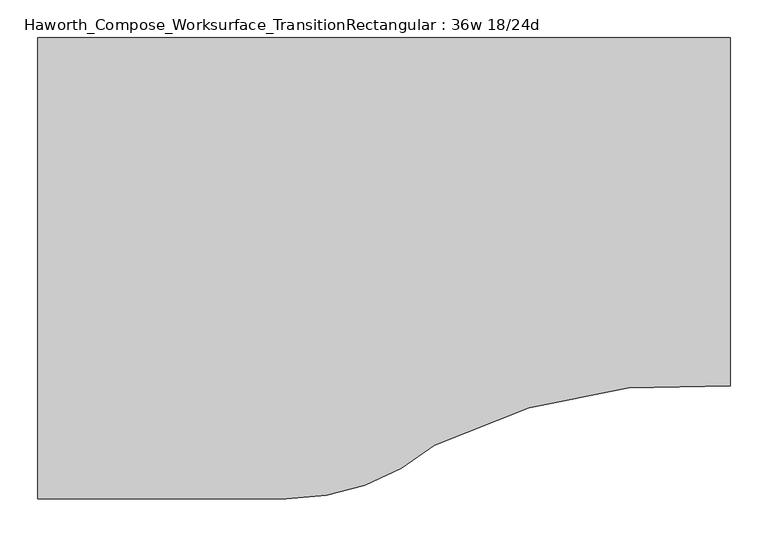
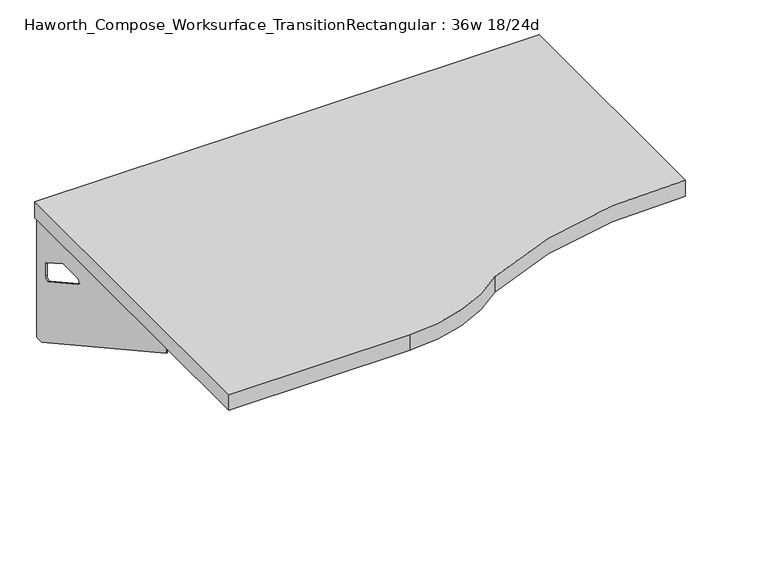
"""IFC4 building model written with IfcOpenShell, lengths in millimetres: furniture geometry, Haworth_Compose_Worksurface_TransitionRectangular : 36w 18/24d."""

from ifc_helpers import new_model, si_unit, point, frame, frame_2d, origin, place, context, project, spatial, polyline, circle_curve, trimmed, segment, composite_curve, outline, extrude, source, transform, mapped, element, save
from ifc_brep_helpers import plane_surface, revolved_surface, advanced_brep


def haworth_compose_worksurface_transitionrectangular_36w_18_24d_cbc66141(model_context):
    return source(origin(), model_context, "Body", "SolidModel", [
        advanced_brep(
        [(432.59375, 152.4, 475.45625), (432.59375, 136.525, 475.45625), (432.59375, -254.0, 691.7192568), (432.59375, -254.0, 704.05625), (432.59375, 136.525, 704.05625), (432.59375, 152.4, 704.05625), (432.59375, 69.090072, 665.95625), (432.59375, 25.4355284, 665.95625), (432.59375, 22.7564235, 656.3705539), (432.59375, 114.4776173, 605.5776439), (432.59375, 123.825, 611.1756969), (432.59375, 123.825, 634.6860246), (432.59375, 122.0730055, 637.5242776), (432.59375, 72.1663437, 665.1613425), (434.975, 152.4, 475.45625), (434.975, 152.4, 704.05625), (434.975, 136.525, 704.05625), (434.975, 136.525, 706.4375), (434.975, -254.0, 706.4375), (434.975, -254.0, 691.7192568), (434.975, 136.525, 475.45625), (434.975, 69.090072, 665.95625), (434.975, 72.1663437, 665.1613425), (434.975, 122.0730055, 637.5242776), (434.975, 123.825, 634.6860246), (434.975, 123.825, 611.1756969), (434.975, 114.4776173, 605.5776439), (434.975, 22.7564235, 656.3705539), (434.975, 25.4355284, 665.95625), (393.7, -254.0, 706.4375), (393.7, -254.0, 704.05625), (393.7, 136.525, 704.05625), (393.7, 136.525, 706.4375)],
        [
            (0, 1),
            (1, 2),
            (2, 3),
            (3, 4),
            (4, 5),
            (5, 0),
            (6, 7),
            (7, 8, circle_curve(frame((432.59375, 25.4355284, 660.7890106), z_axis=(1.0, 0.0, 0.0), x_axis=(0.0, -1.0, 0.0)), 5.1672394)),
            (8, 9),
            (9, 10, circle_curve(frame((432.59375, 117.475, 611.1756969), z_axis=(1.0, 0.0, 0.0), x_axis=(0.0, -1.0, 0.0)), 6.35)),
            (10, 11),
            (11, 12, circle_curve(frame((432.59375, 120.65, 634.6860246), z_axis=(1.0, 0.0, 0.0), x_axis=(0.0, -1.0, 0.0)), 3.175)),
            (12, 13),
            (13, 6, circle_curve(frame((432.59375, 69.090072, 659.60625), z_axis=(1.0, 0.0, 0.0), x_axis=(0.0, -1.0, 0.0)), 6.35)),
            (14, 15),
            (15, 16),
            (16, 17),
            (17, 18),
            (18, 19),
            (19, 20),
            (20, 14),
            (21, 22, circle_curve(frame((434.975, 69.090072, 659.60625), z_axis=(-1.0, 0.0, 0.0), x_axis=(0.0, -1.0, 0.0)), 6.35)),
            (22, 23),
            (23, 24, circle_curve(frame((434.975, 120.65, 634.6860246), z_axis=(-1.0, 0.0, 0.0), x_axis=(0.0, -1.0, 0.0)), 3.175)),
            (24, 25),
            (25, 26, circle_curve(frame((434.975, 117.475, 611.1756969), z_axis=(-1.0, 0.0, 0.0), x_axis=(0.0, -1.0, 0.0)), 6.35)),
            (26, 27),
            (27, 28, circle_curve(frame((434.975, 25.4355284, 660.7890106), z_axis=(-1.0, 0.0, 0.0), x_axis=(0.0, -1.0, 0.0)), 5.1672394)),
            (28, 21),
            (4, 16),
            (15, 5),
            (14, 0),
            (20, 1),
            (19, 2),
            (18, 29),
            (29, 30),
            (30, 3),
            (6, 21),
            (28, 7),
            (9, 26),
            (25, 10),
            (24, 11),
            (23, 12),
            (27, 8),
            (31, 4),
            (30, 31),
            (32, 29),
            (17, 32),
            (31, 32),
            (22, 13),
        ],
        [
            plane_surface(frame((432.59375, 152.4, 475.45625), z_axis=(-1.0, 0.0, 0.0), x_axis=(0.0, 1.0, 0.0))),
            plane_surface(frame((434.975, 152.4, 475.45625), z_axis=(1.0, 0.0, 0.0), x_axis=(0.0, -1.0, 0.0))),
            plane_surface(frame((434.975, -254.0, 704.05625), z_axis=(0.0, 0.0, 1.0), x_axis=(-1.0, 0.0, 0.0))),
            plane_surface(frame((434.975, 152.4, 704.05625), z_axis=(0.0, 1.0, 0.0), x_axis=(-1.0, 0.0, 0.0))),
            plane_surface(frame((434.975, 152.4, 475.45625), z_axis=(0.0, 0.0, -1.0), x_axis=(-1.0, 0.0, 0.0))),
            plane_surface(frame((434.975, 136.525, 475.45625), z_axis=(0.0, -0.48445223513455843, -0.8748177135112952), x_axis=(-1.0, 0.0, 0.0))),
            plane_surface(frame((434.975, -254.0, 691.7192568), z_axis=(0.0, -1.0, 0.0), x_axis=(-1.0, 0.0, 0.0))),
            plane_surface(frame((434.975, 69.090072, 665.95625), z_axis=(0.0, 0.0, -1.0), x_axis=(-1.0, 0.0, 0.0))),
            revolved_surface(polyline([(432.59375, 111.125, 611.1756969), (434.975, 111.125, 611.1756969)]), (434.975, 117.475, 611.1756969), (-1.0, 0.0, 0.0)),
            plane_surface(frame((434.975, 123.825, 611.1756969), z_axis=(0.0, -1.0, 0.0), x_axis=(-1.0, 0.0, 0.0))),
            revolved_surface(polyline([(432.59375, 117.47500000000001, 634.6860246), (434.975, 117.47500000000001, 634.6860246)]), (434.975, 120.65, 634.6860246), (-1.0, 0.0, 0.0)),
            revolved_surface(polyline([(432.59375, 20.268289, 660.7890106), (434.975, 20.268289, 660.7890106)]), (434.975, 25.4355284, 660.7890106), (-1.0, 0.0, 0.0)),
            plane_surface(frame((434.975, 136.525, 704.05625), z_axis=(0.0, 0.0, -1.0), x_axis=(-1.0, 0.0, 0.0))),
            plane_surface(frame((434.975, 136.525, 706.4375), z_axis=(0.0, 0.0, 1.0), x_axis=(1.0, 0.0, 0.0))),
            plane_surface(frame((393.7, 136.525, 706.4375), z_axis=(0.0, 1.0, 0.0), x_axis=(0.0, 0.0, -1.0))),
            plane_surface(frame((393.7, -254.0, 706.4375), z_axis=(-1.0, 0.0, 0.0), x_axis=(0.0, 0.0, -1.0))),
            plane_surface(frame((434.975, 22.7564235, 656.3705539), z_axis=(0.0, 0.4844522351345583, 0.8748177135112953), x_axis=(-1.0, 0.0, 0.0))),
            plane_surface(frame((434.975, 122.0730055, 637.5242776), z_axis=(0.0, -0.4844522351345582, -0.8748177135112953), x_axis=(-1.0, 0.0, 0.0))),
            revolved_surface(polyline([(432.59375, 62.740072000000005, 659.60625), (434.975, 62.740072000000005, 659.60625)]), (434.975, 69.090072, 659.60625), (-1.0, 0.0, 0.0)),
        ],
        [
            (0, [[1, 2, 3, 4, 5, 6], [7, 8, 9, 10, 11, 12, 13, 14]]),
            (1, [[15, 16, 17, 18, 19, 20, 21], [22, 23, 24, 25, 26, 27, 28, 29]]),
            (2, [[-5, 30, -16, 31]]),
            (3, [[-31, -15, 32, -6]]),
            (4, [[-32, -21, 33, -1]]),
            (5, [[-33, -20, 34, -2]]),
            (6, [[-34, -19, 35, 36, 37, -3]]),
            (7, [[38, -29, 39, -7]]),
            (8, [[40, -26, 41, -10]]),
            (9, [[-41, -25, 42, -11]]),
            (10, [[-42, -24, 43, -12]]),
            (11, [[-39, -28, 44, -8]]),
            (12, [[45, -4, -37, 46]]),
            (13, [[47, -35, -18, 48]]),
            (14, [[-17, -30, -45, 49, -48]]),
            (15, [[-36, -47, -49, -46]]),
            (16, [[-44, -27, -40, -9]]),
            (17, [[-43, -23, 50, -13]]),
            (18, [[-50, -22, -38, -14]]),
        ],
    ),
        advanced_brep(
        [(-470.69375, 152.4, 475.45625), (-470.69375, 152.4, 704.05625), (-470.69375, 136.525, 704.05625), (-470.69375, -254.0, 704.05625), (-470.69375, -254.0, 691.7192568), (-470.69375, 136.525, 475.45625), (-470.69375, 69.090072, 665.95625), (-470.69375, 72.1663437, 665.1613425), (-470.69375, 122.0730055, 637.5242776), (-470.69375, 123.825, 634.6860246), (-470.69375, 123.825, 611.1756969), (-470.69375, 114.4776173, 605.5776439), (-470.69375, 22.7564235, 656.3705539), (-470.69375, 25.4355284, 665.95625), (-473.075, 152.4, 475.45625), (-473.075, 136.525, 475.45625), (-473.075, -254.0, 691.7192568), (-473.075, -254.0, 706.4375), (-473.075, 136.525, 706.4375), (-473.075, 136.525, 704.05625), (-473.075, 152.4, 704.05625), (-473.075, 69.090072, 665.95625), (-473.075, 25.4355284, 665.95625), (-473.075, 22.7564235, 656.3705539), (-473.075, 114.4776173, 605.5776439), (-473.075, 123.825, 611.1756969), (-473.075, 123.825, 634.6860246), (-473.075, 122.0730055, 637.5242776), (-473.075, 72.1663437, 665.1613425), (-431.8, -254.0, 704.05625), (-431.8, -254.0, 706.4375), (-431.8, 136.525, 704.05625), (-431.8, 136.525, 706.4375)],
        [
            (0, 1),
            (1, 2),
            (2, 3),
            (3, 4),
            (4, 5),
            (5, 0),
            (6, 7, circle_curve(frame((-470.69375, 69.090072, 659.60625), z_axis=(-1.0, 0.0, 0.0), x_axis=(0.0, -1.0, 0.0)), 6.35)),
            (7, 8),
            (8, 9, circle_curve(frame((-470.69375, 120.65, 634.6860246), z_axis=(-1.0, 0.0, 0.0), x_axis=(0.0, -1.0, 0.0)), 3.175)),
            (9, 10),
            (10, 11, circle_curve(frame((-470.69375, 117.475, 611.1756969), z_axis=(-1.0, 0.0, 0.0), x_axis=(0.0, -1.0, 0.0)), 6.35)),
            (11, 12),
            (12, 13, circle_curve(frame((-470.69375, 25.4355284, 660.7890106), z_axis=(-1.0, 0.0, 0.0), x_axis=(0.0, -1.0, 0.0)), 5.1672394)),
            (13, 6),
            (14, 15),
            (15, 16),
            (16, 17),
            (17, 18),
            (18, 19),
            (19, 20),
            (20, 14),
            (21, 22),
            (22, 23, circle_curve(frame((-473.075, 25.4355284, 660.7890106), z_axis=(1.0, 0.0, 0.0), x_axis=(0.0, -1.0, 0.0)), 5.1672394)),
            (23, 24),
            (24, 25, circle_curve(frame((-473.075, 117.475, 611.1756969), z_axis=(1.0, 0.0, 0.0), x_axis=(0.0, -1.0, 0.0)), 6.35)),
            (25, 26),
            (26, 27, circle_curve(frame((-473.075, 120.65, 634.6860246), z_axis=(1.0, 0.0, 0.0), x_axis=(0.0, -1.0, 0.0)), 3.175)),
            (27, 28),
            (28, 21, circle_curve(frame((-473.075, 69.090072, 659.60625), z_axis=(1.0, 0.0, 0.0), x_axis=(0.0, -1.0, 0.0)), 6.35)),
            (1, 20),
            (19, 2),
            (0, 14),
            (5, 15),
            (4, 16),
            (3, 29),
            (29, 30),
            (30, 17),
            (13, 22),
            (21, 6),
            (10, 25),
            (24, 11),
            (9, 26),
            (8, 27),
            (12, 23),
            (31, 29),
            (2, 31),
            (32, 18),
            (30, 32),
            (32, 31),
            (7, 28),
        ],
        [
            plane_surface(frame((-470.69375, 152.4, 475.45625), z_axis=(1.0, 0.0, 0.0), x_axis=(0.0, 1.0, 0.0))),
            plane_surface(frame((-473.075, 152.4, 475.45625), z_axis=(-1.0, 0.0, 0.0), x_axis=(0.0, -1.0, 0.0))),
            plane_surface(frame((-473.075, -254.0, 704.05625), z_axis=(0.0, 0.0, 1.0), x_axis=(1.0, 0.0, 0.0))),
            plane_surface(frame((-473.075, 152.4, 704.05625), z_axis=(0.0, 1.0, 0.0), x_axis=(1.0, 0.0, 0.0))),
            plane_surface(frame((-473.075, 152.4, 475.45625), z_axis=(0.0, 0.0, -1.0), x_axis=(1.0, 0.0, 0.0))),
            plane_surface(frame((-473.075, 136.525, 475.45625), z_axis=(0.0, -0.48445223513455843, -0.8748177135112952), x_axis=(1.0, 0.0, 0.0))),
            plane_surface(frame((-473.075, -254.0, 691.7192568), z_axis=(0.0, -1.0, 0.0), x_axis=(1.0, 0.0, 0.0))),
            plane_surface(frame((-473.075, 69.090072, 665.95625), z_axis=(0.0, 0.0, -1.0), x_axis=(1.0, 0.0, 0.0))),
            revolved_surface(polyline([(-470.69375, 111.125, 611.1756969), (-473.075, 111.125, 611.1756969)]), (-473.075, 117.475, 611.1756969), (1.0, 0.0, 0.0)),
            plane_surface(frame((-473.075, 123.825, 611.1756969), z_axis=(0.0, -1.0, 0.0), x_axis=(1.0, 0.0, 0.0))),
            revolved_surface(polyline([(-470.69375, 117.47500000000001, 634.6860246), (-473.075, 117.47500000000001, 634.6860246)]), (-473.075, 120.65, 634.6860246), (1.0, 0.0, 0.0)),
            revolved_surface(polyline([(-470.69375, 20.268289, 660.7890106), (-473.075, 20.268289, 660.7890106)]), (-473.075, 25.4355284, 660.7890106), (1.0, 0.0, 0.0)),
            plane_surface(frame((-473.075, 136.525, 704.05625), z_axis=(0.0, 0.0, -1.0), x_axis=(1.0, 0.0, 0.0))),
            plane_surface(frame((-473.075, 136.525, 706.4375), z_axis=(0.0, 0.0, 1.0), x_axis=(-1.0, 0.0, 0.0))),
            plane_surface(frame((-431.8, 136.525, 706.4375), z_axis=(0.0, 1.0, 0.0), x_axis=(0.0, 0.0, -1.0))),
            plane_surface(frame((-431.8, -254.0, 706.4375), z_axis=(1.0, 0.0, 0.0), x_axis=(0.0, 0.0, -1.0))),
            plane_surface(frame((-473.075, 22.7564235, 656.3705539), z_axis=(0.0, 0.4844522351345583, 0.8748177135112953), x_axis=(1.0, 0.0, 0.0))),
            plane_surface(frame((-473.075, 122.0730055, 637.5242776), z_axis=(0.0, -0.4844522351345582, -0.8748177135112953), x_axis=(1.0, 0.0, 0.0))),
            revolved_surface(polyline([(-470.69375, 62.740072000000005, 659.60625), (-473.075, 62.740072000000005, 659.60625)]), (-473.075, 69.090072, 659.60625), (1.0, 0.0, 0.0)),
        ],
        [
            (0, [[1, 2, 3, 4, 5, 6], [7, 8, 9, 10, 11, 12, 13, 14]]),
            (1, [[15, 16, 17, 18, 19, 20, 21], [22, 23, 24, 25, 26, 27, 28, 29]]),
            (2, [[30, -20, 31, -2]]),
            (3, [[-1, 32, -21, -30]]),
            (4, [[-6, 33, -15, -32]]),
            (5, [[-5, 34, -16, -33]]),
            (6, [[-4, 35, 36, 37, -17, -34]]),
            (7, [[-14, 38, -22, 39]]),
            (8, [[-11, 40, -25, 41]]),
            (9, [[-10, 42, -26, -40]]),
            (10, [[-9, 43, -27, -42]]),
            (11, [[-13, 44, -23, -38]]),
            (12, [[45, -35, -3, 46]]),
            (13, [[47, -18, -37, 48]]),
            (14, [[-47, 49, -46, -31, -19]]),
            (15, [[-45, -49, -48, -36]]),
            (16, [[-12, -41, -24, -44]]),
            (17, [[-8, 50, -28, -43]]),
            (18, [[-7, -39, -29, -50]]),
        ],
    ),
        extrude(outline(composite_curve([segment(trimmed(circle_curve(frame_2d((387.9964534, -1067.8111083)), 762.0), [point((438.15, -307.4634103))], [point((47.1526417, -386.2911188))], True, "CARTESIAN"), True, "CONTINUOUS"), segment(trimmed(circle_curve(frame_2d((-148.2904051, -152.4)), 304.8), [point((47.1526417, -386.2911188))], [point((-148.2904051, -457.2))], False, "CARTESIAN"), True, "CONTINUOUS"), segment(polyline([(-148.2904051, -457.2), (-476.25, -457.2), (-476.25, 152.4), (438.15, 152.4), (438.15, -307.4634103)]), True, "CONTINUOUS")], self_intersect=False)), frame((0.0, 0.0, 706.4375), z_axis=(0.0, 0.0, 1.0), x_axis=(1.0, 0.0, 0.0)), (0.0, 0.0, 1.0), 30.1625),
    ])


if __name__ == "__main__":
    model = new_model("IFC4")
    model_context = context("Model", 3, world=origin())
    ifc_project = project(units=[si_unit("LENGTHUNIT", "METRE", prefix="MILLI")], contexts=[model_context])
    site = spatial("IfcSite", under=ifc_project)
    building = spatial("IfcBuilding", under=site)
    placement = place(None, origin())
    haworth_compose_worksurface_transitionrectangular_36w_18_24d_shape = haworth_compose_worksurface_transitionrectangular_36w_18_24d_cbc66141(model_context)
    element("IfcFurniture", 1, ObjectType="Haworth_Compose_Worksurface_TransitionRectangular : 36w 18/24d", at=placement, inside=building, context=model_context, shape_type="MappedRepresentation", body=[
        mapped(haworth_compose_worksurface_transitionrectangular_36w_18_24d_shape, transform((0.0, 0.0, 0.0), x_axis=(1.0, 0.0, 0.0), y_axis=(0.0, 1.0, 0.0), z_axis=(0.0, 0.0, 1.0))),
    ])
    save(model, "model.ifc")
